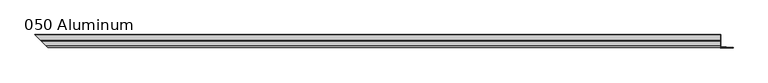
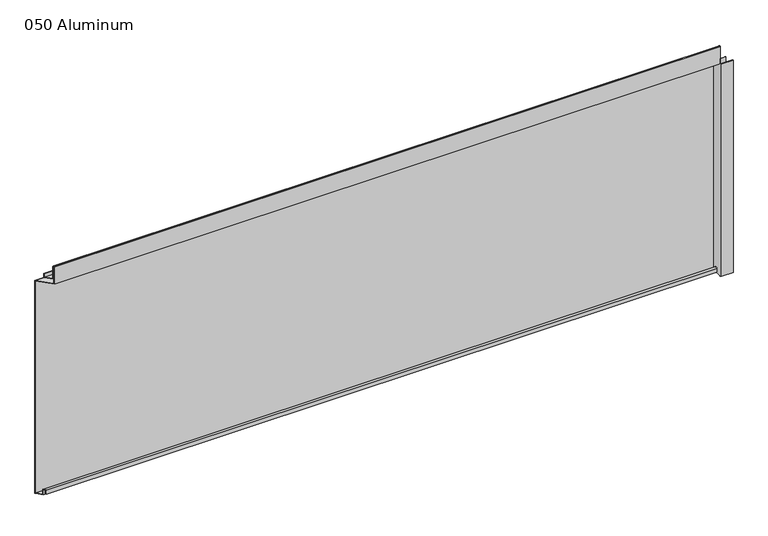
"""IFC4 building model written with IfcOpenShell, lengths in millimetres: plate geometry, 050 Aluminum."""

from ifc_helpers import new_model, si_unit, frame, origin, origin_with_axes, place, context, project, spatial, polyline, circle_curve, ellipse_curve, outline, extrude, source, transform, mapped, element, save
from ifc_brep_helpers import plane_surface, cylinder_surface, revolved_surface, advanced_brep


def plate_050_aluminum_de44f5ec(model_context):
    return source(origin(), model_context, "Body", "SolidModel", [
        advanced_brep(
        [(892.047492, 16.6765477, 13.1458337), (892.047492, 16.6765477, 2.786437), (892.047492, 17.9464915, 2.786437), (892.047492, 17.9464915, 13.1323356), (892.047492, 21.7564743, 13.124237), (892.047492, 21.7564743, 0.0), (892.047492, 34.7980002, 0.0), (892.047492, 34.7980002, 1.2693678), (892.047492, 23.0264743, 1.2693678), (892.047492, 23.0264743, 13.124237), (-922.6940397, 16.6765477, 13.1458337), (-922.6940397, 16.6765477, 2.786437), (-923.9639835, 17.9464915, 2.786437), (-923.9639835, 17.9464915, 13.1323356), (-927.7739663, 21.7564743, 13.124237), (-927.7739663, 21.7564743, 0.0), (-940.815492, 34.798, 0.0), (-940.8154921, 34.7980002, 1.2693678), (-929.0439663, 23.0264743, 1.2693678), (-929.0439663, 23.0264743, 13.124237)],
        [
            (0, 1),
            (1, 2),
            (2, 3),
            (3, 4, circle_curve(frame((892.047492, 19.8514743, 13.124237), z_axis=(-1.0, 0.0, 0.0), x_axis=(0.0, 0.0, -1.0)), 1.905)),
            (4, 5),
            (5, 6),
            (6, 7),
            (7, 8),
            (8, 9),
            (9, 0, circle_curve(frame((892.047492, 19.8514743, 13.124237), z_axis=(1.0, 0.0, 0.0), x_axis=(0.0, 0.0, -1.0)), 3.175)),
            (0, 10),
            (10, 11),
            (11, 1),
            (11, 12),
            (12, 2),
            (12, 13),
            (13, 3),
            (13, 14, ellipse_curve(frame((-925.8689663, 19.8514743, 13.124237), z_axis=(-0.7071067811865466, -0.7071067811865485, 0.0), x_axis=(0.7071067811865485, -0.7071067811865466, 0.0)), 2.6940768, 1.905)),
            (14, 4),
            (14, 15),
            (15, 5),
            (15, 16),
            (16, 6),
            (16, 17),
            (17, 7),
            (17, 18),
            (18, 8),
            (18, 19),
            (19, 9),
            (19, 10, ellipse_curve(frame((-925.8689663, 19.8514743, 13.124237), z_axis=(0.7071067811865466, 0.7071067811865485, 0.0), x_axis=(-0.7071067811865485, 0.7071067811865466, 0.0)), 4.4901281, 3.175)),
        ],
        [
            plane_surface(frame((892.047492, 36.068, 0.0), z_axis=(1.0, 0.0, 0.0), x_axis=(0.0, 0.0, 1.0))),
            plane_surface(frame((-940.815492, 16.6765477, 13.1458337), z_axis=(0.0, -1.0, 0.0), x_axis=(1.0, 0.0, 0.0))),
            plane_surface(frame((-940.815492, 16.6765477, 2.786437), z_axis=(0.0, 0.0, -1.0), x_axis=(1.0, 0.0, 0.0))),
            plane_surface(frame((-940.815492, 17.9464915, 2.786437), z_axis=(0.0, 1.0, 0.0), x_axis=(1.0, 0.0, 0.0))),
            revolved_surface(polyline([(892.0474919999999, 19.8514743, 11.219237000000001), (-927.7739663, 19.8514743, 11.219237000000001)]), (-940.815492, 19.8514743, 13.124237), (1.0, 0.0, 0.0)),
            plane_surface(frame((-940.815492, 21.7564743, 13.124237), z_axis=(0.0, -1.0, 0.0), x_axis=(1.0, 0.0, 0.0))),
            plane_surface(frame((-940.815492, 21.7564743, 0.0), z_axis=(0.0, 0.0, -1.0), x_axis=(1.0, 0.0, 0.0))),
            plane_surface(frame((-940.815492, 34.7980002, 0.0), z_axis=(0.0, 1.0, 0.0), x_axis=(1.0, 0.0, 0.0))),
            plane_surface(frame((-940.815492, 34.7980002, 1.2693678), z_axis=(0.0, 0.0, 1.0), x_axis=(1.0, 0.0, 0.0))),
            plane_surface(frame((-940.815492, 23.0264743, 1.2693678), z_axis=(0.0, 1.0, 0.0), x_axis=(1.0, 0.0, 0.0))),
            cylinder_surface(frame((-940.815492, 19.8514743, 13.124237), z_axis=(-1.0, 0.0, 0.0), x_axis=(0.0, 0.0, -1.0)), 3.175),
            plane_surface(frame((-942.085492, 36.068, 795.4549971), z_axis=(-0.7071067811865466, -0.7071067811865485, 0.0), x_axis=(0.0, 0.0, -1.0))),
        ],
        [
            (0, [[1, 2, 3, 4, 5, 6, 7, 8, 9, 10]]),
            (1, [[11, 12, 13, -1]]),
            (2, [[-13, 14, 15, -2]]),
            (3, [[-15, 16, 17, -3]]),
            (4, [[-17, 18, 19, -4]]),
            (5, [[-19, 20, 21, -5]]),
            (6, [[-21, 22, 23, -6]]),
            (7, [[-23, 24, 25, -7]]),
            (8, [[-25, 26, 27, -8]]),
            (9, [[-27, 28, 29, -9]]),
            (10, [[-29, 30, -11, -10]]),
            (11, [[-30, -28, -26, -24, -22, -20, -18, -16, -14, -12]]),
        ],
    ),
        advanced_brep(
        [(892.047492, 2.0574743, 656.7932001), (892.047492, 2.0574743, 608.33), (892.047492, 34.7980002, 608.33), (892.047492, 34.7980002, 609.6000001), (892.047492, 3.3274743, 609.6000001), (892.047492, 3.3274743, 656.7932001), (892.047492, 4.0894742, 656.7932001), (892.047492, 4.0894742, 622.3), (892.047492, 20.4864742, 622.3), (892.047492, 20.4864742, 633.6538), (892.047492, 19.2164743, 633.6538), (892.047492, 19.2164743, 623.57), (892.047492, 5.3594742, 623.57), (892.047492, 5.3594742, 656.7932001), (-908.0749663, 2.0574743, 656.7932001), (-908.0749663, 2.0574743, 608.33), (-940.815492, 34.798, 608.33), (-940.8154921, 34.7980002, 609.6000001), (-909.3449663, 3.3274743, 609.6000001), (-909.3449663, 3.3274743, 656.7932001), (-910.1069662, 4.0894742, 656.7932001), (-910.1069662, 4.0894742, 622.3), (-926.5039662, 20.4864742, 622.3), (-926.5039662, 20.4864742, 633.6538), (-925.2339663, 19.2164743, 633.6538), (-925.2339663, 19.2164743, 623.57), (-911.3769662, 5.3594742, 623.57), (-911.3769662, 5.3594742, 656.7932001)],
        [
            (0, 1),
            (1, 2),
            (2, 3),
            (3, 4),
            (4, 5),
            (5, 6, circle_curve(frame((892.047492, 3.7084742, 656.7932001), z_axis=(-1.0, 0.0, 0.0), x_axis=(0.0, 0.0, -1.0)), 0.3809999)),
            (6, 7),
            (7, 8),
            (8, 9),
            (9, 10),
            (10, 11),
            (11, 12),
            (12, 13),
            (13, 0, circle_curve(frame((892.047492, 3.7084742, 656.7932001), z_axis=(1.0, 0.0, 0.0), x_axis=(0.0, 0.0, -1.0)), 1.6509999)),
            (0, 14),
            (14, 15),
            (15, 1),
            (15, 16),
            (16, 2),
            (16, 17),
            (17, 3),
            (17, 18),
            (18, 4),
            (18, 19),
            (19, 5),
            (19, 20, ellipse_curve(frame((-909.7259662, 3.7084742, 656.7932001), z_axis=(-0.7071067811865466, -0.7071067811865485, 0.0), x_axis=(0.7071067811865485, -0.7071067811865466, 0.0)), 0.5388153, 0.3809999)),
            (20, 6),
            (20, 21),
            (21, 7),
            (21, 22),
            (22, 8),
            (22, 23),
            (23, 9),
            (23, 24),
            (24, 10),
            (24, 25),
            (25, 11),
            (25, 26),
            (26, 12),
            (26, 27),
            (27, 13),
            (27, 14, ellipse_curve(frame((-909.7259662, 3.7084742, 656.7932001), z_axis=(0.7071067811865466, 0.7071067811865485, 0.0), x_axis=(-0.7071067811865485, 0.7071067811865466, 0.0)), 2.3348665, 1.6509999)),
        ],
        [
            plane_surface(frame((892.047492, 36.068, 609.6), z_axis=(1.0, 0.0, 0.0), x_axis=(0.0, 0.0, 1.0))),
            plane_surface(frame((-940.815492, 2.0574743, 656.7932001), z_axis=(0.0, -1.0, 0.0), x_axis=(1.0, 0.0, 0.0))),
            plane_surface(frame((-940.815492, 2.0574743, 608.33), z_axis=(0.0, 0.0, -1.0), x_axis=(1.0, 0.0, 0.0))),
            plane_surface(frame((-940.815492, 34.7980002, 608.33), z_axis=(0.0, 1.0, 0.0), x_axis=(1.0, 0.0, 0.0))),
            plane_surface(frame((-940.815492, 34.7980002, 609.6000001), z_axis=(0.0, 0.0, 1.0), x_axis=(1.0, 0.0, 0.0))),
            plane_surface(frame((-940.815492, 3.3274743, 609.6000001), z_axis=(0.0, 1.0, 0.0), x_axis=(1.0, 0.0, 0.0))),
            revolved_surface(polyline([(892.0474919999999, 3.7084742, 656.4122002), (-910.1069662, 3.7084742, 656.4122002)]), (-940.815492, 3.7084742, 656.7932001), (1.0, 0.0, 0.0)),
            plane_surface(frame((-940.815492, 4.0894742, 656.7932001), z_axis=(0.0, -1.0, 0.0), x_axis=(1.0, 0.0, 0.0))),
            plane_surface(frame((-940.815492, 4.0894742, 622.3), z_axis=(0.0, 0.0, -1.0), x_axis=(1.0, 0.0, 0.0))),
            plane_surface(frame((-940.815492, 20.4864742, 622.3), z_axis=(0.0, 1.0, 0.0), x_axis=(1.0, 0.0, 0.0))),
            plane_surface(frame((-940.815492, 20.4864742, 633.6538), z_axis=(0.0, 0.0, 1.0), x_axis=(1.0, 0.0, 0.0))),
            plane_surface(frame((-940.815492, 19.2164743, 633.6538), z_axis=(0.0, -1.0, 0.0), x_axis=(1.0, 0.0, 0.0))),
            plane_surface(frame((-940.815492, 19.2164743, 623.57), z_axis=(0.0, 0.0, 1.0), x_axis=(1.0, 0.0, 0.0))),
            plane_surface(frame((-940.815492, 5.3594742, 623.57), z_axis=(0.0, 1.0, 0.0), x_axis=(1.0, 0.0, 0.0))),
            cylinder_surface(frame((-940.815492, 3.7084742, 656.7932001), z_axis=(-1.0, 0.0, 0.0), x_axis=(0.0, 0.0, -1.0)), 1.6509999),
            plane_surface(frame((-942.085492, 36.068, 795.4549971), z_axis=(-0.7071067811865466, -0.7071067811865485, 0.0), x_axis=(0.0, 0.0, -1.0))),
        ],
        [
            (0, [[1, 2, 3, 4, 5, 6, 7, 8, 9, 10, 11, 12, 13, 14]]),
            (1, [[15, 16, 17, -1]]),
            (2, [[-17, 18, 19, -2]]),
            (3, [[-19, 20, 21, -3]]),
            (4, [[-21, 22, 23, -4]]),
            (5, [[-23, 24, 25, -5]]),
            (6, [[-25, 26, 27, -6]]),
            (7, [[-27, 28, 29, -7]]),
            (8, [[-29, 30, 31, -8]]),
            (9, [[-31, 32, 33, -9]]),
            (10, [[-33, 34, 35, -10]]),
            (11, [[-35, 36, 37, -11]]),
            (12, [[-37, 38, 39, -12]]),
            (13, [[-39, 40, 41, -13]]),
            (14, [[-41, 42, -15, -14]]),
            (15, [[-42, -40, -38, -36, -34, -32, -30, -28, -26, -24, -22, -20, -18, -16]]),
        ],
    ),
        extrude(outline(polyline([(893.317492, 34.7980001), (-940.8154921, 34.7980001), (-942.085492, 36.068), (893.317492, 36.068), (893.317492, 34.7980001)])), origin_with_axes(), (0.0, 0.0, 1.0), 609.6),
        extrude(outline(polyline([(893.317492, 1.2699999), (925.8295776, 1.2699999), (925.8295776, 0.0), (892.0474921, 0.0), (892.0474921, 34.7980002), (893.317492, 34.7980002), (893.317492, 1.2699999)])), origin_with_axes(), (0.0, 0.0, 1.0), 608.33),
        extrude(outline(polyline([(892.047492, 3.3274743), (907.7954919, 3.3274743), (907.7954919, 2.0574743), (892.047492, 2.0574743), (892.047492, 3.3274743)])), origin_with_axes(), (0.0, 0.0, 1.0), 622.3),
    ])


if __name__ == "__main__":
    model = new_model("IFC4")
    model_context = context("Model", 3, world=origin())
    ifc_project = project(units=[si_unit("LENGTHUNIT", "METRE", prefix="MILLI")], contexts=[model_context])
    site = spatial("IfcSite", under=ifc_project)
    building = spatial("IfcBuilding", under=site)
    placement = place(None, origin())
    plate_050_aluminum_shape = plate_050_aluminum_de44f5ec(model_context)
    element("IfcPlate", 1, ObjectType="050 Aluminum", at=placement, inside=building, context=model_context, shape_type="MappedRepresentation", body=[
        mapped(plate_050_aluminum_shape, transform((0.0, 0.0, 0.0), x_axis=(1.0, 0.0, 0.0), y_axis=(0.0, 1.0, 0.0), z_axis=(0.0, 0.0, 1.0))),
    ])
    save(model, "model.ifc")
